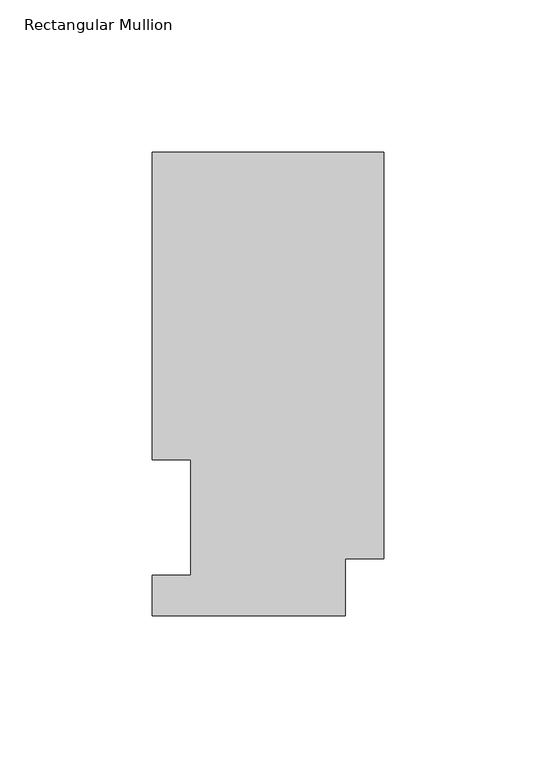
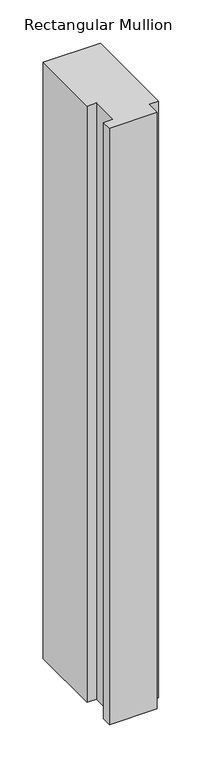
"""IFC4 building model written with IfcOpenShell, lengths in millimetres: member geometry, Rectangular Mullion."""

from ifc_helpers import new_model, si_unit, frame, origin, place, context, project, spatial, polyline, outline, extrude, source, transform, mapped, element, save


def rectangular_mullion_d0d0e926(model_context):
    return source(origin(), model_context, "Body", "SweptSolid", [
        extrude(outline(polyline([(0.0, 18.7332937), (-12.7, 18.7332937), (-12.7, 0.0134938), (-76.2, 0.0134938), (-76.2, 13.1960938), (-63.5, 13.1960938), (-63.5, 51.2960938), (-76.2, 51.2960938), (-76.2, 152.4896938), (0.0, 152.4896938), (0.0, 18.7332937)])), frame((0.0, 0.0, -838.2), z_axis=(0.0, 0.0, 1.0), x_axis=(1.0, 0.0, 0.0)), (0.0, 0.0, 1.0), 838.2),
    ])


if __name__ == "__main__":
    model = new_model("IFC4")
    model_context = context("Model", 3, world=origin())
    ifc_project = project(units=[si_unit("LENGTHUNIT", "METRE", prefix="MILLI")], contexts=[model_context])
    site = spatial("IfcSite", under=ifc_project)
    building = spatial("IfcBuilding", under=site)
    placement = place(None, origin())
    rectangular_mullion_shape = rectangular_mullion_d0d0e926(model_context)
    element("IfcMember", 1, ObjectType="Rectangular Mullion", at=placement, inside=building, context=model_context, shape_type="MappedRepresentation", body=[
        mapped(rectangular_mullion_shape, transform((0.0, 0.0, 0.0), x_axis=(1.0, 0.0, 0.0), y_axis=(0.0, 1.0, 0.0), z_axis=(0.0, 0.0, 1.0))),
    ])
    save(model, "model.ifc")
